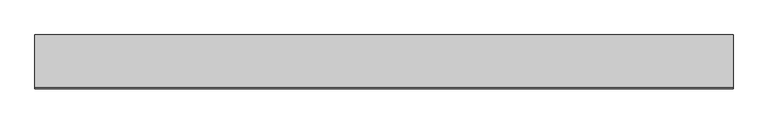
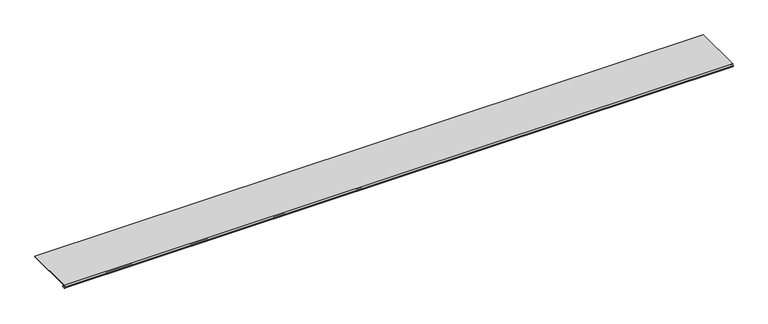
"""IFC4 building model written with IfcOpenShell, lengths in millimetres: proxy geometry."""

from ifc_helpers import new_model, si_unit, point, frame, frame_2d, origin, place, context, project, spatial, polyline, circle_curve, trimmed, segment, composite_curve, outline, extrude, source, transform, mapped, element, save


def generic_models_55c33931(model_context):
    return source(origin(), model_context, "Body", "SweptSolid", [
        extrude(outline(composite_curve([segment(polyline([(139.7, 13.2537076), (139.7, 11.6837076), (4.9698231, 11.6837076)]), True, "CONTINUOUS"), segment(trimmed(circle_curve(frame_2d((4.9836004, 10.5900854)), 1.093709), [point((4.9698231, 11.6837076))], [point((4.9454257, 9.4970429))], True, "CARTESIAN"), True, "CONTINUOUS"), segment(polyline([(4.9454257, 9.4970429), (6.3252986, 9.4327708)]), True, "CONTINUOUS"), segment(trimmed(circle_curve(frame_2d((6.2190404, 7.151486)), 2.2837581), [point((6.3252986, 9.4327708))], [point((6.2190404, 4.8677279))], False, "CARTESIAN"), True, "CONTINUOUS"), segment(polyline([(6.2190404, 4.8677279), (2.2867276, 4.8677279)]), True, "CONTINUOUS"), segment(trimmed(circle_curve(frame_2d((2.2867276, 5.5318063)), 0.6640784), [point((2.2867276, 4.8677279))], [point((2.2368711, 6.1940104))], False, "CARTESIAN"), True, "CONTINUOUS"), segment(polyline([(2.2368711, 6.1940104), (4.5055344, 6.3177279), (6.0740222, 6.3177279)]), True, "CONTINUOUS"), segment(trimmed(circle_curve(frame_2d((6.0740222, 7.2927279)), 0.975), [point((6.0740222, 6.3177279))], [point((6.0740222, 8.2677279))], True, "CARTESIAN"), True, "CONTINUOUS"), segment(polyline([(6.0740222, 8.2677279), (4.8748016, 8.2677279), (3.9297655, 8.3107178)]), True, "CONTINUOUS"), segment(trimmed(circle_curve(frame_2d((2.4847467, 6.6596487)), 2.1941076), [point((3.9297655, 8.3107178))], [point((1.0903749, 8.3537076))], True, "CARTESIAN"), True, "CONTINUOUS"), segment(polyline([(1.0903749, 8.3537076), (0.065443, 8.3537076), (0.065443, 9.2261945), (2.1184419, 13.2537076), (139.7, 13.2537076)]), True, "CONTINUOUS")], self_intersect=False)), frame((0.0, 0.0, 0.0), z_axis=(1.0, 0.0, 0.0), x_axis=(0.0, 1.0, 0.0)), (0.0, 0.0, 1.0), 1815.546),
    ])


if __name__ == "__main__":
    model = new_model("IFC4")
    model_context = context("Model", 3, world=origin())
    ifc_project = project(units=[si_unit("LENGTHUNIT", "METRE", prefix="MILLI")], contexts=[model_context])
    site = spatial("IfcSite", under=ifc_project)
    building = spatial("IfcBuilding", under=site)
    placement = place(None, origin())
    generic_models_shape = generic_models_55c33931(model_context)
    element("IfcBuildingElementProxy", 1, Name="Generic Models", at=placement, inside=building, context=model_context, shape_type="MappedRepresentation", body=[
        mapped(generic_models_shape, transform((0.0, 0.0, 0.0), x_axis=(1.0, 0.0, 0.0), y_axis=(0.0, 1.0, 0.0), z_axis=(0.0, 0.0, 1.0))),
    ])
    save(model, "model.ifc")
